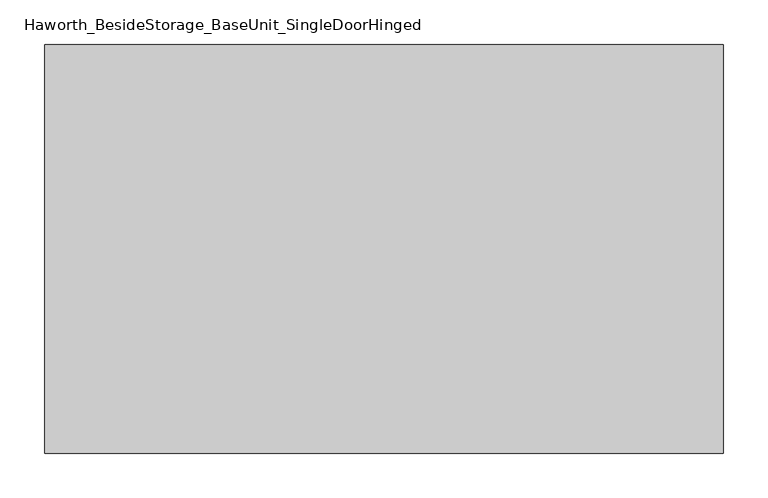
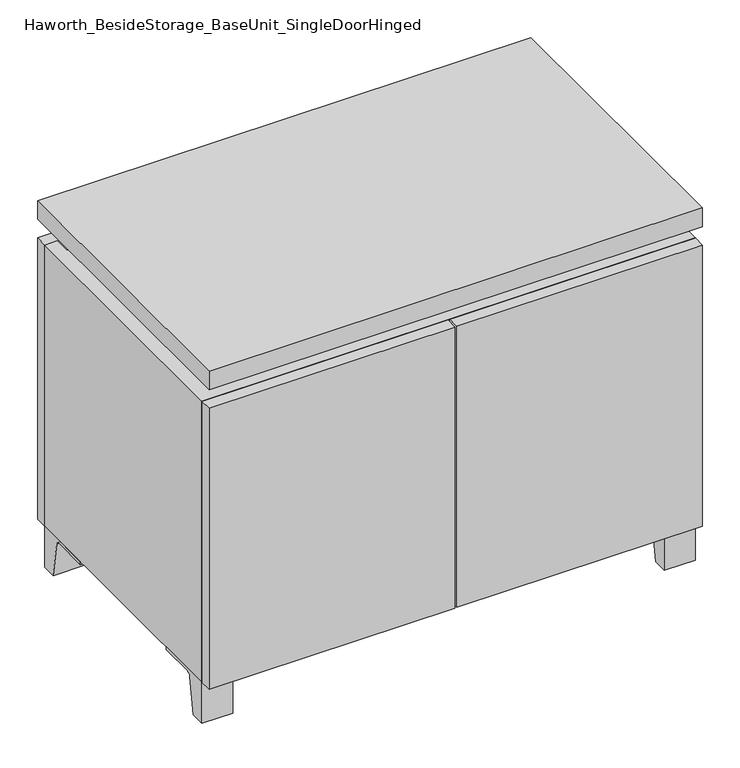
"""IFC4 building model written with IfcOpenShell, lengths in millimetres: furniture geometry, Haworth_BesideStorage_BaseUnit_SingleDoorHinged."""

import ifcopenshell
import ifcopenshell.guid

model = None  # the IFC model being written
_history = None  # IfcOwnerHistory: only IFC2X3 demands one
_inside = {}  # id of a spatial element -> (the spatial element, [elements in it])
_under = {}  # id of a project, library or spatial element -> (it, [spatial elements below it])
_declared = {}  # id of a project -> (the project, [libraries it declares])
_typed = {}  # id of a type object -> (the type object, [elements of that type])
_made_of = {}  # id of a material, layer set ... -> (it, [elements and type objects made of it])


def new_model(schema):
    """Start an empty IFC model of exactly this schema.

    Asked for "IFC4X3", IfcOpenShell would pick the latest addendum, in which some entities
    have other attributes; the version numbers below select the first issue.
    IFC2X3 requires an IfcOwnerHistory on every rooted entity: one is made here for all.
    """
    global model, _history
    if schema == "IFC4X3":
        model = ifcopenshell.file(schema_version=(4, 3, 0, 0))
    else:
        model = ifcopenshell.file(schema=schema)
    _inside.clear()
    _under.clear()
    _declared.clear()
    _typed.clear()
    _made_of.clear()
    _history = None
    if model.schema == "IFC2X3":
        org = make("IfcOrganization", Name="unknown")
        user = make(
            "IfcPersonAndOrganization",
            ThePerson=make("IfcPerson", FamilyName="unknown"),
            TheOrganization=org,
        )
        app = make(
            "IfcApplication",
            ApplicationDeveloper=org,
            Version="unknown",
            ApplicationFullName="unknown",
            ApplicationIdentifier="unknown",
        )
        _history = make(
            "IfcOwnerHistory",
            OwningUser=user,
            OwningApplication=app,
            ChangeAction="ADDED",
            CreationDate=0,
        )
    return model


def make(cls, **values):
    """One entity of the class cls with the attributes given. An attribute that is None is left unset."""
    return model.create_entity(
        cls, **{name: value for name, value in values.items() if value is not None}
    )


def rooted(cls, **values):
    """An entity with a GlobalId (a new one), such as an element, a storey or a relation."""
    return make(cls, GlobalId=ifcopenshell.guid.new(), OwnerHistory=_history, **values)


def si_unit(unit_type, name, prefix=None):
    """IfcSIUnit, for example si_unit("LENGTHUNIT", "METRE", prefix="MILLI")."""
    return make("IfcSIUnit", UnitType=unit_type, Prefix=prefix, Name=name)


def assignment(units):
    """IfcUnitAssignment: the units of a project."""
    return None if units is None else make("IfcUnitAssignment", Units=units)


def point(xyz):
    """IfcCartesianPoint."""
    return None if xyz is None else make("IfcCartesianPoint", Coordinates=xyz)


def direction(xyz):
    """IfcDirection."""
    return None if xyz is None else make("IfcDirection", DirectionRatios=xyz)


def frame(location, z_axis=None, x_axis=None):
    """IfcAxis2Placement3D, a coordinate frame: its origin and axes. An axis left out is left unset."""
    return make(
        "IfcAxis2Placement3D",
        Location=point(location),
        Axis=direction(z_axis),
        RefDirection=direction(x_axis),
    )


def frame_2d(location, x_axis=None):
    """IfcAxis2Placement2D, a coordinate frame in the plane: its origin and x axis."""
    return make(
        "IfcAxis2Placement2D", Location=point(location), RefDirection=direction(x_axis)
    )


def origin():
    """The frame at (0, 0, 0) with its axes left unset."""
    return frame((0.0, 0.0, 0.0))


def place(relative_to, where):
    """IfcLocalPlacement: puts the frame where relative to a parent placement (None: the world)."""
    return make(
        "IfcLocalPlacement", PlacementRelTo=relative_to, RelativePlacement=where
    )


def context(
    kind, dimensions, precision=None, world=None, true_north=None, identifier=None
):
    """IfcGeometricRepresentationContext, for example the 3D "Model" context."""
    return make(
        "IfcGeometricRepresentationContext",
        ContextIdentifier=identifier,
        ContextType=kind,
        CoordinateSpaceDimension=dimensions,
        Precision=precision,
        WorldCoordinateSystem=world,
        TrueNorth=true_north,
    )


def project(units=None, contexts=None):
    """IfcProject with its units and contexts."""
    return rooted(
        "IfcProject",
        Name="project",
        RepresentationContexts=contexts,
        UnitsInContext=assignment(units),
    )


def spatial(cls, under=None, at=None, **own):
    """A site, building, storey or space (cls), placed at a placement, below another one or the project."""
    s = rooted(cls, ObjectPlacement=at, **own)
    if under is not None:
        _under.setdefault(under.id(), (under, []))[1].append(s)
    return s


def polyline(points):
    """IfcPolyline through the points."""
    return make("IfcPolyline", Points=[point(p) for p in points])


def circle_curve(where, radius):
    """IfcCircle in the frame where."""
    return make("IfcCircle", Position=where, Radius=radius)


def trimmed(basis, trim1, trim2, sense, master):
    """IfcTrimmedCurve: the piece of a basis curve between two trims."""
    return make(
        "IfcTrimmedCurve",
        BasisCurve=basis,
        Trim1=trim1,
        Trim2=trim2,
        SenseAgreement=sense,
        MasterRepresentation=master,
    )


def segment(curve, same_sense, transition):
    """IfcCompositeCurveSegment."""
    return make(
        "IfcCompositeCurveSegment",
        Transition=transition,
        SameSense=same_sense,
        ParentCurve=curve,
    )


def composite_curve(segments, self_intersect=None):
    """IfcCompositeCurve: segments joined end to end."""
    return make("IfcCompositeCurve", Segments=segments, SelfIntersect=self_intersect)


def outline(outer, holes=None, kind="AREA"):
    """IfcArbitraryClosedProfileDef: a profile drawn as a closed curve; with holes, ...WithVoids."""
    if holes is None:
        return make("IfcArbitraryClosedProfileDef", ProfileType=kind, OuterCurve=outer)
    return make(
        "IfcArbitraryProfileDefWithVoids",
        ProfileType=kind,
        OuterCurve=outer,
        InnerCurves=holes,
    )


def extrude(swept, where, along, depth):
    """IfcExtrudedAreaSolid: the profile swept, set in the frame where, extruded along a direction by depth."""
    return make(
        "IfcExtrudedAreaSolid",
        SweptArea=swept,
        Position=where,
        ExtrudedDirection=direction(along),
        Depth=depth,
    )


def faces_of(points, faces, orient=None, outer=None):
    """IfcFace entities. A face is a list of loops; a loop is a list of indices into points, from 0.

    orient and outer hold one flag for each loop. By default every Orientation is true, the
    first loop of a face is its IfcFaceOuterBound and the others are IfcFaceBound.
    """
    made = []
    for i, loops in enumerate(faces):
        bounds = []
        for j, loop in enumerate(loops):
            is_outer = j == 0 if outer is None else outer[i][j]
            bounds.append(
                make(
                    "IfcFaceOuterBound" if is_outer else "IfcFaceBound",
                    Bound=make("IfcPolyLoop", Polygon=[points[k] for k in loop]),
                    Orientation=True if orient is None else orient[i][j],
                )
            )
        made.append(make("IfcFace", Bounds=bounds))
    return made


def faceted_brep(points, faces, orient=None, outer=None, voids=None):
    """IfcFacetedBrep: a solid bounded by flat faces; with voids (closed shells), ...WithVoids."""
    shared = [point(p) for p in points]
    hull = make("IfcClosedShell", CfsFaces=faces_of(shared, faces, orient, outer))
    if voids is None:
        return make("IfcFacetedBrep", Outer=hull)
    return make(
        "IfcFacetedBrepWithVoids",
        Outer=hull,
        Voids=[
            make(cls, CfsFaces=faces_of(shared, fs, o, b)) for cls, fs, o, b in voids
        ],
    )


def shape(context_of_items, identifier, shape_type, items):
    """IfcShapeRepresentation: the items that make up one representation, for example the "Body"."""
    return make(
        "IfcShapeRepresentation",
        ContextOfItems=context_of_items,
        RepresentationIdentifier=identifier,
        RepresentationType=shape_type,
        Items=items,
    )


def source(mapping_origin, context_of_items, identifier, shape_type, items):
    """IfcRepresentationMap: a shape defined once, which mapped items show again and again."""
    return make(
        "IfcRepresentationMap",
        MappingOrigin=mapping_origin,
        MappedRepresentation=shape(context_of_items, identifier, shape_type, items),
    )


def transform(
    local_origin,
    x_axis=None,
    y_axis=None,
    z_axis=None,
    scale=None,
    scale2=None,
    scale3=None,
    uniform=True,
):
    """IfcCartesianTransformationOperator3D, or its non-uniform kind. x_axis, y_axis, z_axis: its Axis1, 2, 3."""
    if uniform:
        return make(
            "IfcCartesianTransformationOperator3D",
            Axis1=direction(x_axis),
            Axis2=direction(y_axis),
            LocalOrigin=point(local_origin),
            Scale=scale,
            Axis3=direction(z_axis),
        )
    return make(
        "IfcCartesianTransformationOperator3DnonUniform",
        Axis1=direction(x_axis),
        Axis2=direction(y_axis),
        LocalOrigin=point(local_origin),
        Scale=scale,
        Axis3=direction(z_axis),
        Scale2=scale2,
        Scale3=scale3,
    )


def mapped(mapping_source, mapping_target):
    """IfcMappedItem: shows the shape of a source again, moved by a transform."""
    return make(
        "IfcMappedItem", MappingSource=mapping_source, MappingTarget=mapping_target
    )


def made_of(thing, what):
    """Note that an element or type object is made of a material, layer set ...; save() writes the relation."""
    if what is not None:
        _made_of.setdefault(what.id(), (what, []))[1].append(thing)
    return thing


def element(
    cls,
    number,
    at=None,
    inside=None,
    cuts=None,
    type_object=None,
    material=None,
    context=None,
    identifier="Body",
    shape_type=None,
    held_by="IfcProductDefinitionShape",
    body=None,
    shapes=None,
    **own,
):
    """One element of the class cls, such as IfcWall. Its Tag is "e" and its number.

    at: its placement. inside: the storey or other place that contains it. cuts: it is an
    opening in that element (IfcRelVoidsElement). A single representation is given by context,
    identifier, shape_type and body (its items); several are given by shapes. held_by: the class
    of the entity that holds the representations. save() writes the other relations.
    """
    e = rooted(cls, Tag="e%d" % number, ObjectPlacement=at, **own)
    if body is not None:
        shapes = [shape(context, identifier, shape_type, body)]
    if shapes is not None:
        e.Representation = make(held_by, Representations=shapes)
    if inside is not None:
        _inside.setdefault(inside.id(), (inside, []))[1].append(e)
    if cuts is not None:
        rooted(
            "IfcRelVoidsElement", RelatingBuildingElement=cuts, RelatedOpeningElement=e
        )
    if type_object is not None:
        _typed.setdefault(type_object.id(), (type_object, []))[1].append(e)
    return made_of(e, material)


def aggregate(whole, parts):
    """IfcRelAggregates: a whole, such as a stair, and the parts it consists of."""
    return rooted("IfcRelAggregates", RelatingObject=whole, RelatedObjects=parts)


def save(model, path):
    """Write the relations noted so far, then the file.

    IfcRelAggregates (storeys below a building ...), IfcRelContainedInSpatialStructure (elements
    in a storey), IfcRelDefinesByType, IfcRelAssociatesMaterial and IfcRelDeclares: one each for
    every whole, place, type object, material and project.
    """
    for whole, parts in _under.values():
        aggregate(whole, parts)
    for where, things in _inside.values():
        rooted(
            "IfcRelContainedInSpatialStructure",
            RelatedElements=things,
            RelatingStructure=where,
        )
    for kind, things in _typed.values():
        rooted("IfcRelDefinesByType", RelatedObjects=things, RelatingType=kind)
    for what, things in _made_of.values():
        rooted("IfcRelAssociatesMaterial", RelatedObjects=things, RelatingMaterial=what)
    for by, libraries in _declared.values():
        rooted("IfcRelDeclares", RelatingContext=by, RelatedDefinitions=libraries)
    model.write(path)


def haworth_besidestorage_baseunit_singledoorhinged_3964948d(model_context):
    return source(origin(), model_context, "Body", "SolidModel", [
        extrude(outline(composite_curve([segment(polyline([(-129.6458469, 0.0), (-152.4, 0.0), (-152.4, 66.675), (-57.15, 66.675), (-57.15, 61.8963321), (-113.9505345, 61.8963321)]), True, "CONTINUOUS"), segment(trimmed(circle_curve(frame_2d((-113.9505345, 55.5463321)), 6.35), [point((-113.9505345, 61.8963321))], [point((-120.2141359, 56.5902656))], True, "CARTESIAN"), True, "CONTINUOUS"), segment(polyline([(-120.2141359, 56.5902656), (-129.6458469, 0.0)]), True, "CONTINUOUS")], self_intersect=False)), frame((331.8013906, 0.0, 0.0), z_axis=(1.0, 0.0, 0.0), x_axis=(0.0, 1.0, 0.0)), (0.0, 0.0, 1.0), 47.625),
        extrude(outline(composite_curve([segment(polyline([(243.9458469, 0.0), (234.5141359, 56.5902656)]), True, "CONTINUOUS"), segment(trimmed(circle_curve(frame_2d((228.2505345, 55.5463321)), 6.35), [point((234.5141359, 56.5902656))], [point((228.2505345, 61.8963321))], True, "CARTESIAN"), True, "CONTINUOUS"), segment(polyline([(228.2505345, 61.8963321), (171.45, 61.8963321), (171.45, 66.675), (266.7, 66.675), (266.7, 0.0), (243.9458469, 0.0)]), True, "CONTINUOUS")], self_intersect=False)), frame((331.8013906, 0.0, 0.0), z_axis=(1.0, 0.0, 0.0), x_axis=(0.0, 1.0, 0.0)), (0.0, 0.0, 1.0), 47.625),
        extrude(outline(composite_curve([segment(polyline([(-129.6458469, 0.0), (-152.4, 0.0), (-152.4, 66.675), (-57.15, 66.675), (-57.15, 61.8963321), (-113.9505345, 61.8963321)]), True, "CONTINUOUS"), segment(trimmed(circle_curve(frame_2d((-113.9505345, 55.5463321)), 6.35), [point((-113.9505345, 61.8963321))], [point((-120.2141359, 56.5902656))], True, "CARTESIAN"), True, "CONTINUOUS"), segment(polyline([(-120.2141359, 56.5902656), (-129.6458469, 0.0)]), True, "CONTINUOUS")], self_intersect=False)), frame((-379.3986094, 0.0, 0.0), z_axis=(1.0, 0.0, 0.0), x_axis=(0.0, 1.0, 0.0)), (0.0, 0.0, 1.0), 47.625),
        extrude(outline(composite_curve([segment(polyline([(243.9458469, 0.0), (234.5141359, 56.5902656)]), True, "CONTINUOUS"), segment(trimmed(circle_curve(frame_2d((228.2505345, 55.5463321)), 6.35), [point((234.5141359, 56.5902656))], [point((228.2505345, 61.8963321))], True, "CARTESIAN"), True, "CONTINUOUS"), segment(polyline([(228.2505345, 61.8963321), (171.45, 61.8963321), (171.45, 66.675), (266.7, 66.675), (266.7, 0.0), (243.9458469, 0.0)]), True, "CONTINUOUS")], self_intersect=False)), frame((-379.3986094, 0.0, 0.0), z_axis=(1.0, 0.0, 0.0), x_axis=(0.0, 1.0, 0.0)), (0.0, 0.0, 1.0), 47.625),
        faceted_brep([(-379.3986094, -152.4, 66.675), (379.4125, -152.4, 66.675), (379.4125, -152.4, 523.875), (-379.3986094, -152.4, 523.875), (-360.3486094, -152.4, 85.725), (-360.3486094, -152.4, 504.825), (360.3694453, -152.4, 504.825), (360.3486094, -152.4, 85.725), (-379.3986094, 266.7, 66.675), (-379.3986094, 266.7, 523.875), (-360.3486094, 266.7, 523.875), (-360.3486094, 266.7, 85.725), (360.3486094, 266.7, 85.725), (360.3486094, 266.7, 523.875), (379.4125, 266.7, 523.875), (379.4125, 266.7, 66.675), (360.3486094, 241.3, 523.875), (-360.3416641, 241.3, 523.875), (-360.3486094, 241.3, 504.825), (360.3486094, 241.3, 504.825)], [[[0, 1, 2, 3], [4, 5, 6, 7]], [[8, 9, 10, 11, 12, 13, 14, 15]], [[1, 0, 8, 15]], [[2, 1, 15, 14]], [[3, 2, 14, 13, 16, 17, 10, 9]], [[0, 3, 9, 8]], [[11, 10, 17, 18, 5, 4]], [[13, 12, 7, 6, 19, 16]], [[4, 7, 12, 11]], [[6, 5, 18, 19]], [[17, 16, 19, 18]]]),
        extrude(outline(polyline([(379.4263906, -171.45), (-379.3986094, -171.45), (-379.3986094, 285.75), (379.4263906, 285.75), (379.4263906, -171.45)])), frame((0.0, 0.0, 554.0375), z_axis=(0.0, 0.0, 1.0), x_axis=(1.0, 0.0, 0.0)), (0.0, 0.0, 1.0), 30.1625),
        faceted_brep([(7.9513906, -76.2, 554.0375), (7.9513906, -76.2, 523.875), (7.9513906, 47.625, 523.875), (7.9513906, 47.625, 554.0375), (7.9513906, 190.5, 523.875), (7.9513906, 190.5, 554.0375), (7.9513906, 66.675, 554.0375), (7.9513906, 66.675, 523.875), (-7.9236094, 190.5, 554.0375), (-7.9236094, 190.5, 523.875), (-7.9236094, 66.675, 523.875), (-7.9236094, 66.675, 554.0375), (-7.9236094, -76.2, 523.875), (-7.9236094, -76.2, 554.0375), (-7.9236094, 47.625, 554.0375), (-7.9236094, 47.625, 523.875), (-338.0958281, 66.675, 554.0375), (-338.1166641, 241.3, 554.0375), (-353.9916641, 241.3, 554.0375), (-353.9916641, -127.0, 554.0375), (-338.1166641, -127.0, 554.0375), (-338.1166641, 47.625, 554.0375), (338.1236094, 47.625, 554.0375), (338.1236094, -127.0, 554.0375), (353.9986094, -127.0, 554.0375), (353.9986094, 241.3, 554.0375), (338.1236094, 241.3, 554.0375), (338.1236094, 66.675, 554.0375), (-338.0958281, 47.625, 523.875), (-338.1166641, -127.0, 523.875), (-353.9916641, -127.0, 523.875), (-353.9916641, 241.3, 523.875), (-338.1166641, 241.3, 523.875), (-338.1166641, 66.675, 523.875), (338.1236094, 66.675, 523.875), (338.1236094, 241.3, 523.875), (353.9986094, 241.3, 523.875), (353.9986094, -127.0, 523.875), (338.1236094, -127.0, 523.875), (338.1236094, 47.625, 523.875)], [[[0, 1, 2, 3]], [[4, 5, 6, 7]], [[8, 9, 10, 11]], [[12, 13, 14, 15]], [[5, 8, 11, 16, 17, 18, 19, 20, 21, 14, 13, 0, 3, 22, 23, 24, 25, 26, 27, 6]], [[1, 12, 15, 28, 29, 30, 31, 32, 33, 10, 9, 4, 7, 34, 35, 36, 37, 38, 39, 2]], [[5, 4, 9, 8]], [[1, 0, 13, 12]], [[6, 27, 34, 7]], [[22, 3, 2, 39]], [[20, 29, 28, 21]], [[32, 17, 16, 33]], [[18, 31, 30, 19]], [[29, 20, 19, 30]], [[17, 32, 31, 18]], [[26, 35, 34, 27]], [[38, 23, 22, 39]], [[25, 24, 37, 36]], [[23, 38, 37, 24]], [[35, 26, 25, 36]], [[16, 11, 10, 33]], [[14, 21, 28, 15]]]),
        extrude(outline(polyline([(379.4263906, 266.7), (-379.3986094, 266.7), (-379.3986094, 285.75), (379.4263906, 285.75), (379.4263906, 266.7)])), frame((0.0, 0.0, 66.675), z_axis=(0.0, 0.0, 1.0), x_axis=(1.0, 0.0, 0.0)), (0.0, 0.0, 1.0), 457.2),
        extrude(outline(polyline([(-360.3416641, 196.85), (-360.3416641, 203.2), (360.3694453, 203.2), (360.3694453, 196.85), (-360.3416641, 196.85)])), frame((0.0, 0.0, 85.725), z_axis=(0.0, 0.0, 1.0), x_axis=(1.0, 0.0, 0.0)), (0.0, 0.0, 1.0), 419.1),
        extrude(outline(polyline([(1.6013906, -171.45), (1.6013906, -152.4), (379.4263906, -152.4), (379.4263906, -171.45), (1.6013906, -171.45)])), frame((0.0, 0.0, 66.675), z_axis=(0.0, 0.0, 1.0), x_axis=(1.0, 0.0, 0.0)), (0.0, 0.0, 1.0), 457.2),
        extrude(outline(polyline([(-1.5736094, -171.45), (-379.3986094, -171.45), (-379.3986094, -152.4), (-1.5736094, -152.4), (-1.5736094, -171.45)])), frame((0.0, 0.0, 66.675), z_axis=(0.0, 0.0, 1.0), x_axis=(1.0, 0.0, 0.0)), (0.0, 0.0, 1.0), 457.2),
    ])


if __name__ == "__main__":
    model = new_model("IFC4")
    model_context = context("Model", 3, world=origin())
    ifc_project = project(units=[si_unit("LENGTHUNIT", "METRE", prefix="MILLI")], contexts=[model_context])
    site = spatial("IfcSite", under=ifc_project)
    building = spatial("IfcBuilding", under=site)
    placement = place(None, origin())
    haworth_besidestorage_baseunit_singledoorhinged_shape = haworth_besidestorage_baseunit_singledoorhinged_3964948d(model_context)
    element("IfcFurniture", 1, ObjectType="Haworth_BesideStorage_BaseUnit_SingleDoorHinged", at=placement, inside=building, context=model_context, shape_type="MappedRepresentation", body=[
        mapped(haworth_besidestorage_baseunit_singledoorhinged_shape, transform((0.0, 0.0, 0.0), x_axis=(1.0, 0.0, 0.0), y_axis=(0.0, 1.0, 0.0), z_axis=(0.0, 0.0, 1.0))),
    ])
    save(model, "model.ifc")
